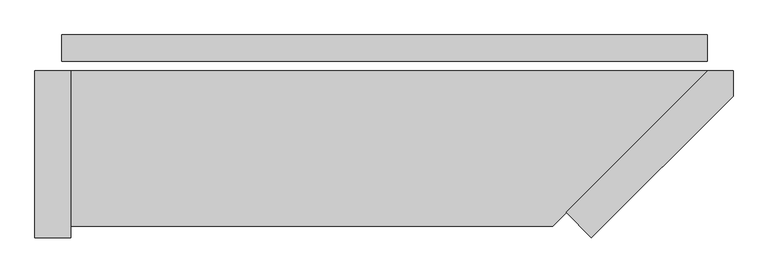
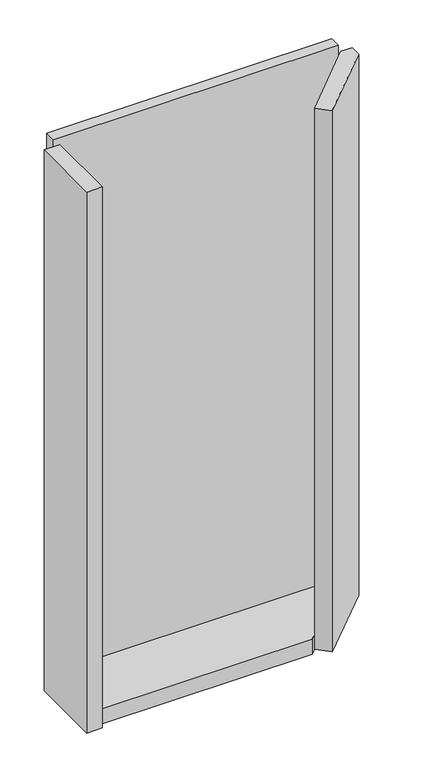
"""IFC4 building model written with IfcOpenShell, lengths in millimetres: plate geometry."""

from ifc_helpers import new_model, si_unit, frame, origin, origin_with_axes, place, context, project, spatial, polyline, outline, extrude, source, transform, mapped, element, save


def plate_a886ec2e(model_context):
    return source(origin(), model_context, "Body", "SweptSolid", [
        extrude(outline(polyline([(541.0, 0.0), (541.0, -44.0), (-541.0, -44.0), (-541.0, 0.0), (541.0, 0.0)])), origin_with_axes(), (0.0, 0.0, 1.0), 2142.0),
        extrude(outline(polyline([(304.0, -297.5735931), (541.5735931, -60.0), (584.0, -60.0), (584.0, -102.4264069), (346.4264069, -340.0), (304.0, -297.5735931)])), frame((0.0, 0.0, -45.0), z_axis=(0.0, 0.0, 1.0), x_axis=(1.0, 0.0, 0.0)), (0.0, 0.0, 1.0), 2172.0),
        extrude(outline(polyline([(-526.0, -320.0), (-526.0, -60.0), (541.5735931, -60.0), (281.5735931, -320.0), (-526.0, -320.0)])), frame((0.0, 0.0, -45.0), z_axis=(0.0, 0.0, 1.0), x_axis=(1.0, 0.0, 0.0)), (0.0, 0.0, 1.0), 60.0),
        extrude(outline(polyline([(-586.0, -60.0), (-526.0, -60.0), (-526.0, -340.0), (-586.0, -340.0), (-586.0, -60.0)])), frame((0.0, 0.0, -45.0), z_axis=(0.0, 0.0, 1.0), x_axis=(1.0, 0.0, 0.0)), (0.0, 0.0, 1.0), 2172.0),
    ])


if __name__ == "__main__":
    model = new_model("IFC4")
    model_context = context("Model", 3, world=origin())
    ifc_project = project(units=[si_unit("LENGTHUNIT", "METRE", prefix="MILLI")], contexts=[model_context])
    site = spatial("IfcSite", under=ifc_project)
    building = spatial("IfcBuilding", under=site)
    placement = place(None, origin())
    plate_shape = plate_a886ec2e(model_context)
    element("IfcPlate", 1, at=placement, inside=building, context=model_context, shape_type="MappedRepresentation", body=[
        mapped(plate_shape, transform((0.0, 0.0, 0.0), x_axis=(1.0, 0.0, 0.0), y_axis=(0.0, 1.0, 0.0), z_axis=(0.0, 0.0, 1.0))),
    ])
    save(model, "model.ifc")
